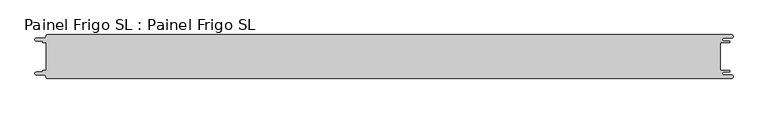
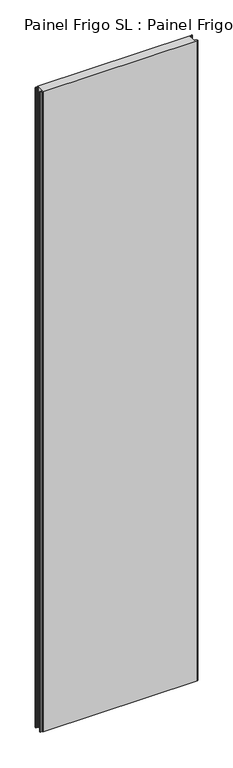
"""IFC4 building model written with IfcOpenShell, lengths in millimetres: proxy geometry, Painel Frigo SL : Painel Frigo SL."""

import ifcopenshell
import ifcopenshell.guid

model = None  # the IFC model being written
_history = None  # IfcOwnerHistory: only IFC2X3 demands one
_inside = {}  # id of a spatial element -> (the spatial element, [elements in it])
_under = {}  # id of a project, library or spatial element -> (it, [spatial elements below it])
_declared = {}  # id of a project -> (the project, [libraries it declares])
_typed = {}  # id of a type object -> (the type object, [elements of that type])
_made_of = {}  # id of a material, layer set ... -> (it, [elements and type objects made of it])


def new_model(schema):
    """Start an empty IFC model of exactly this schema.

    Asked for "IFC4X3", IfcOpenShell would pick the latest addendum, in which some entities
    have other attributes; the version numbers below select the first issue.
    IFC2X3 requires an IfcOwnerHistory on every rooted entity: one is made here for all.
    """
    global model, _history
    if schema == "IFC4X3":
        model = ifcopenshell.file(schema_version=(4, 3, 0, 0))
    else:
        model = ifcopenshell.file(schema=schema)
    _inside.clear()
    _under.clear()
    _declared.clear()
    _typed.clear()
    _made_of.clear()
    _history = None
    if model.schema == "IFC2X3":
        org = make("IfcOrganization", Name="unknown")
        user = make(
            "IfcPersonAndOrganization",
            ThePerson=make("IfcPerson", FamilyName="unknown"),
            TheOrganization=org,
        )
        app = make(
            "IfcApplication",
            ApplicationDeveloper=org,
            Version="unknown",
            ApplicationFullName="unknown",
            ApplicationIdentifier="unknown",
        )
        _history = make(
            "IfcOwnerHistory",
            OwningUser=user,
            OwningApplication=app,
            ChangeAction="ADDED",
            CreationDate=0,
        )
    return model


def make(cls, **values):
    """One entity of the class cls with the attributes given. An attribute that is None is left unset."""
    return model.create_entity(
        cls, **{name: value for name, value in values.items() if value is not None}
    )


def rooted(cls, **values):
    """An entity with a GlobalId (a new one), such as an element, a storey or a relation."""
    return make(cls, GlobalId=ifcopenshell.guid.new(), OwnerHistory=_history, **values)


def si_unit(unit_type, name, prefix=None):
    """IfcSIUnit, for example si_unit("LENGTHUNIT", "METRE", prefix="MILLI")."""
    return make("IfcSIUnit", UnitType=unit_type, Prefix=prefix, Name=name)


def assignment(units):
    """IfcUnitAssignment: the units of a project."""
    return None if units is None else make("IfcUnitAssignment", Units=units)


def point(xyz):
    """IfcCartesianPoint."""
    return None if xyz is None else make("IfcCartesianPoint", Coordinates=xyz)


def direction(xyz):
    """IfcDirection."""
    return None if xyz is None else make("IfcDirection", DirectionRatios=xyz)


def frame(location, z_axis=None, x_axis=None):
    """IfcAxis2Placement3D, a coordinate frame: its origin and axes. An axis left out is left unset."""
    return make(
        "IfcAxis2Placement3D",
        Location=point(location),
        Axis=direction(z_axis),
        RefDirection=direction(x_axis),
    )


def origin():
    """The frame at (0, 0, 0) with its axes left unset."""
    return frame((0.0, 0.0, 0.0))


def place(relative_to, where):
    """IfcLocalPlacement: puts the frame where relative to a parent placement (None: the world)."""
    return make(
        "IfcLocalPlacement", PlacementRelTo=relative_to, RelativePlacement=where
    )


def context(
    kind, dimensions, precision=None, world=None, true_north=None, identifier=None
):
    """IfcGeometricRepresentationContext, for example the 3D "Model" context."""
    return make(
        "IfcGeometricRepresentationContext",
        ContextIdentifier=identifier,
        ContextType=kind,
        CoordinateSpaceDimension=dimensions,
        Precision=precision,
        WorldCoordinateSystem=world,
        TrueNorth=true_north,
    )


def project(units=None, contexts=None):
    """IfcProject with its units and contexts."""
    return rooted(
        "IfcProject",
        Name="project",
        RepresentationContexts=contexts,
        UnitsInContext=assignment(units),
    )


def spatial(cls, under=None, at=None, **own):
    """A site, building, storey or space (cls), placed at a placement, below another one or the project."""
    s = rooted(cls, ObjectPlacement=at, **own)
    if under is not None:
        _under.setdefault(under.id(), (under, []))[1].append(s)
    return s


def polyline(points):
    """IfcPolyline through the points."""
    return make("IfcPolyline", Points=[point(p) for p in points])


def circle_curve(where, radius):
    """IfcCircle in the frame where."""
    return make("IfcCircle", Position=where, Radius=radius)


def shape(context_of_items, identifier, shape_type, items):
    """IfcShapeRepresentation: the items that make up one representation, for example the "Body"."""
    return make(
        "IfcShapeRepresentation",
        ContextOfItems=context_of_items,
        RepresentationIdentifier=identifier,
        RepresentationType=shape_type,
        Items=items,
    )


def source(mapping_origin, context_of_items, identifier, shape_type, items):
    """IfcRepresentationMap: a shape defined once, which mapped items show again and again."""
    return make(
        "IfcRepresentationMap",
        MappingOrigin=mapping_origin,
        MappedRepresentation=shape(context_of_items, identifier, shape_type, items),
    )


def transform(
    local_origin,
    x_axis=None,
    y_axis=None,
    z_axis=None,
    scale=None,
    scale2=None,
    scale3=None,
    uniform=True,
):
    """IfcCartesianTransformationOperator3D, or its non-uniform kind. x_axis, y_axis, z_axis: its Axis1, 2, 3."""
    if uniform:
        return make(
            "IfcCartesianTransformationOperator3D",
            Axis1=direction(x_axis),
            Axis2=direction(y_axis),
            LocalOrigin=point(local_origin),
            Scale=scale,
            Axis3=direction(z_axis),
        )
    return make(
        "IfcCartesianTransformationOperator3DnonUniform",
        Axis1=direction(x_axis),
        Axis2=direction(y_axis),
        LocalOrigin=point(local_origin),
        Scale=scale,
        Axis3=direction(z_axis),
        Scale2=scale2,
        Scale3=scale3,
    )


def mapped(mapping_source, mapping_target):
    """IfcMappedItem: shows the shape of a source again, moved by a transform."""
    return make(
        "IfcMappedItem", MappingSource=mapping_source, MappingTarget=mapping_target
    )


def made_of(thing, what):
    """Note that an element or type object is made of a material, layer set ...; save() writes the relation."""
    if what is not None:
        _made_of.setdefault(what.id(), (what, []))[1].append(thing)
    return thing


def element(
    cls,
    number,
    at=None,
    inside=None,
    cuts=None,
    type_object=None,
    material=None,
    context=None,
    identifier="Body",
    shape_type=None,
    held_by="IfcProductDefinitionShape",
    body=None,
    shapes=None,
    **own,
):
    """One element of the class cls, such as IfcWall. Its Tag is "e" and its number.

    at: its placement. inside: the storey or other place that contains it. cuts: it is an
    opening in that element (IfcRelVoidsElement). A single representation is given by context,
    identifier, shape_type and body (its items); several are given by shapes. held_by: the class
    of the entity that holds the representations. save() writes the other relations.
    """
    e = rooted(cls, Tag="e%d" % number, ObjectPlacement=at, **own)
    if body is not None:
        shapes = [shape(context, identifier, shape_type, body)]
    if shapes is not None:
        e.Representation = make(held_by, Representations=shapes)
    if inside is not None:
        _inside.setdefault(inside.id(), (inside, []))[1].append(e)
    if cuts is not None:
        rooted(
            "IfcRelVoidsElement", RelatingBuildingElement=cuts, RelatedOpeningElement=e
        )
    if type_object is not None:
        _typed.setdefault(type_object.id(), (type_object, []))[1].append(e)
    return made_of(e, material)


def aggregate(whole, parts):
    """IfcRelAggregates: a whole, such as a stair, and the parts it consists of."""
    return rooted("IfcRelAggregates", RelatingObject=whole, RelatedObjects=parts)


def save(model, path):
    """Write the relations noted so far, then the file.

    IfcRelAggregates (storeys below a building ...), IfcRelContainedInSpatialStructure (elements
    in a storey), IfcRelDefinesByType, IfcRelAssociatesMaterial and IfcRelDeclares: one each for
    every whole, place, type object, material and project.
    """
    for whole, parts in _under.values():
        aggregate(whole, parts)
    for where, things in _inside.values():
        rooted(
            "IfcRelContainedInSpatialStructure",
            RelatedElements=things,
            RelatingStructure=where,
        )
    for kind, things in _typed.values():
        rooted("IfcRelDefinesByType", RelatedObjects=things, RelatingType=kind)
    for what, things in _made_of.values():
        rooted("IfcRelAssociatesMaterial", RelatedObjects=things, RelatingMaterial=what)
    for by, libraries in _declared.values():
        rooted("IfcRelDeclares", RelatingContext=by, RelatedDefinitions=libraries)
    model.write(path)


def plane_surface(at):
    """IfcPlane: the flat surface through the origin of the frame at, square to its z axis."""
    return make("IfcPlane", Position=at)


def cylinder_surface(at, radius):
    """IfcCylindricalSurface: all points at the distance radius from the z axis of the frame at."""
    return make("IfcCylindricalSurface", Position=at, Radius=radius)


def revolved_surface(curve, axis_point, axis_direction):
    """IfcSurfaceOfRevolution: the curve turned about the line through axis_point along axis_direction."""
    return make(
        "IfcSurfaceOfRevolution",
        SweptCurve=make("IfcArbitraryOpenProfileDef", ProfileType="CURVE", Curve=curve),
        AxisPosition=make("IfcAxis1Placement", Location=point(axis_point), Axis=direction(axis_direction)),
    )


def advanced_brep(points, edges, surfaces, faces):
    """IfcAdvancedBrep: a solid bounded by faces that lie on surfaces and meet in shared edges.

    An edge is (start, end): straight between two places in points (the first is 0);
    or (start, end, curve); or (start, end, curve, False) where it runs against its curve.
    A face is (place in surfaces, loops), or (place, loops, False) where it looks against
    its surface's normal. A loop lists edges by number (the first is 1), with a minus sign
    where the edge is run from its end to its start. The first loop is the outer one.
    """
    corners = [point(p) for p in points]
    vertices = [make("IfcVertexPoint", VertexGeometry=c) for c in corners]
    made = []
    for start, end, *more in edges:
        made.append(
            make(
                "IfcEdgeCurve",
                EdgeStart=vertices[start],
                EdgeEnd=vertices[end],
                EdgeGeometry=more[0] if more else make("IfcPolyline", Points=[corners[start], corners[end]]),
                SameSense=more[1] if len(more) > 1 else True,
            )
        )
    hull = []
    for where, loops, *sense in faces:
        bounds = []
        for j, loop in enumerate(loops):
            ring = [make("IfcOrientedEdge", EdgeElement=made[abs(k) - 1], Orientation=k > 0) for k in loop]
            bounds.append(
                make(
                    "IfcFaceOuterBound" if j == 0 else "IfcFaceBound",
                    Bound=make("IfcEdgeLoop", EdgeList=ring),
                    Orientation=True,
                )
            )
        hull.append(make("IfcAdvancedFace", Bounds=bounds, FaceSurface=surfaces[where], SameSense=sense[0] if sense else True))
    return make("IfcAdvancedBrep", Outer=make("IfcClosedShell", CfsFaces=hull))


def painel_frigo_sl_painel_frigo_sl_f73a0884(model_context):
    return source(origin(), model_context, "Body", "AdvancedBrep", [
        advanced_brep(
        [(-554.5874998, -22.3, 4800.0), (-555.1874998, -22.9, 4800.0), (-555.1874998, -23.7085184, 4800.0), (-556.5875001, -25.1085187, 4800.0), (-565.565625, -25.1085187, 4800.0), (-565.565625, -29.5085185, 4800.0), (-553.55, -29.5085185, 4800.0), (-550.0, -33.0585185, 4800.0), (-548.05, -35.0, 4800.0), (546.89375, -35.0, 4800.0), (546.89375, -29.725, 4800.0), (534.45625, -29.725, 4800.0), (534.45625, -24.875, 4800.0), (543.1187503, -24.875, 4800.0), (543.1187503, -22.3, 4800.0), (529.2687503, -22.3, 4800.0), (529.2687503, 22.3, 4800.0), (543.1187503, 22.3, 4800.0), (543.1187503, 24.875, 4800.0), (534.45625, 24.875, 4800.0), (534.45625, 29.725, 4800.0), (546.89375, 29.725, 4800.0), (546.89375, 35.0, 4800.0), (-548.05, 35.0, 4800.0), (-550.0, 33.05, 4800.0), (-553.55, 29.5085185, 4800.0), (-565.565625, 29.5085185, 4800.0), (-565.565625, 25.1085185, 4800.0), (-556.5875003, 25.1085185, 4800.0), (-555.1875003, 23.7085185, 4800.0), (-555.1875003, 22.9, 4800.0), (-554.5874998, 22.2999995, 4800.0), (-549.2999612, 22.2999995, 4800.0), (-549.2999612, -22.3, 4800.0), (-554.5874998, -22.3, 0.0), (-549.2999612, -22.3, 0.0), (-549.2999612, 22.2999995, 0.0), (-554.5874998, 22.2999995, 0.0), (-555.1875003, 22.9, 0.0), (-555.1875003, 23.7085185, 0.0), (-556.5875003, 25.1085185, 0.0), (-565.565625, 25.1085185, 0.0), (-565.565625, 29.5085185, 0.0), (-553.55, 29.5085185, 0.0), (-550.0, 33.0585185, 0.0), (-548.05, 35.0, 0.0), (546.89375, 35.0, 0.0), (546.89375, 29.725, 0.0), (534.45625, 29.725, 0.0), (534.45625, 24.875, 0.0), (543.1187503, 24.875, 0.0), (543.1187503, 22.3, 0.0), (529.2687503, 22.3, 0.0), (529.2687503, -22.3, 0.0), (543.1187503, -22.3, 0.0), (543.1187503, -24.875, 0.0), (534.45625, -24.875, 0.0), (534.45625, -29.725, 0.0), (546.89375, -29.725, 0.0), (546.89375, -35.0, 0.0), (-548.05, -35.0, 0.0), (-550.0, -33.05, 0.0), (-553.55, -29.5085185, 0.0), (-565.565625, -29.5085185, 0.0), (-565.565625, -25.1085187, 0.0), (-556.5875001, -25.1085187, 0.0), (-555.1874998, -23.7085184, 0.0), (-555.1874998, -22.9, 0.0)],
        [
            (0, 1, circle_curve(frame((-554.5874998, -22.9, 4800.0), z_axis=(0.0, 0.0, 1.0), x_axis=(1.0, 0.0, 0.0)), 0.6)),
            (1, 2),
            (2, 3, circle_curve(frame((-556.5875001, -23.7085184, 4800.0), z_axis=(0.0, 0.0, -1.0), x_axis=(1.0, 0.0, 0.0)), 1.4000003)),
            (3, 4),
            (4, 5, circle_curve(frame((-565.565625, -27.3085186, 4800.0), z_axis=(0.0, 0.0, 1.0), x_axis=(1.0, 0.0, 0.0)), 2.1999999)),
            (5, 6),
            (6, 7, circle_curve(frame((-553.55, -33.0585185, 4800.0), z_axis=(0.0, 0.0, -1.0), x_axis=(1.0, 0.0, 0.0)), 3.55)),
            (7, 8, circle_curve(frame((-548.05, -33.05, 4800.0), z_axis=(0.0, 0.0, 1.0), x_axis=(1.0, 0.0, 0.0)), 1.95)),
            (8, 9),
            (9, 10, circle_curve(frame((546.89375, -32.3625, 4800.0), z_axis=(0.0, 0.0, 1.0), x_axis=(1.0, 0.0, 0.0)), 2.6375)),
            (10, 11),
            (11, 12, circle_curve(frame((534.45625, -27.3, 4800.0), z_axis=(0.0, 0.0, -1.0), x_axis=(1.0, 0.0, 0.0)), 2.425)),
            (12, 13),
            (13, 14, circle_curve(frame((543.1187503, -23.5875, 4800.0), z_axis=(0.0, 0.0, 1.0), x_axis=(1.0, 0.0, 0.0)), 1.2875)),
            (14, 15),
            (15, 16),
            (16, 17),
            (17, 18, circle_curve(frame((543.1187503, 23.5875, 4800.0), z_axis=(0.0, 0.0, 1.0), x_axis=(1.0, 0.0, 0.0)), 1.2875)),
            (18, 19),
            (19, 20, circle_curve(frame((534.45625, 27.3, 4800.0), z_axis=(0.0, 0.0, -1.0), x_axis=(1.0, 0.0, 0.0)), 2.425)),
            (20, 21),
            (21, 22, circle_curve(frame((546.89375, 32.3625, 4800.0), z_axis=(0.0, 0.0, 1.0), x_axis=(1.0, 0.0, 0.0)), 2.6375)),
            (22, 23),
            (23, 24, circle_curve(frame((-548.05, 33.05, 4800.0), z_axis=(0.0, 0.0, 1.0), x_axis=(1.0, 0.0, 0.0)), 1.95)),
            (24, 25, circle_curve(frame((-553.55, 33.0585185, 4800.0), z_axis=(0.0, 0.0, -1.0), x_axis=(1.0, 0.0, 0.0)), 3.55)),
            (25, 26),
            (26, 27, circle_curve(frame((-565.565625, 27.3085185, 4800.0), z_axis=(0.0, 0.0, 1.0), x_axis=(1.0, 0.0, 0.0)), 2.2)),
            (27, 28),
            (28, 29, circle_curve(frame((-556.5875003, 23.7085185, 4800.0), z_axis=(0.0, 0.0, -1.0), x_axis=(1.0, 0.0, 0.0)), 1.4)),
            (29, 30),
            (30, 31, circle_curve(frame((-554.5874998, 22.9, 4800.0), z_axis=(0.0, 0.0, 1.0), x_axis=(1.0, 0.0, 0.0)), 0.6000005)),
            (31, 32),
            (32, 33),
            (33, 0),
            (34, 35),
            (35, 36),
            (36, 37),
            (37, 38, circle_curve(frame((-554.5874998, 22.9, 0.0), z_axis=(0.0, 0.0, -1.0), x_axis=(1.0, 0.0, 0.0)), 0.6000005)),
            (38, 39),
            (39, 40, circle_curve(frame((-556.5875003, 23.7085185, 0.0), z_axis=(0.0, 0.0, 1.0), x_axis=(1.0, 0.0, 0.0)), 1.4)),
            (40, 41),
            (41, 42, circle_curve(frame((-565.565625, 27.3085185, 0.0), z_axis=(0.0, 0.0, -1.0), x_axis=(1.0, 0.0, 0.0)), 2.2)),
            (42, 43),
            (43, 44, circle_curve(frame((-553.55, 33.0585185, 0.0), z_axis=(0.0, 0.0, 1.0), x_axis=(1.0, 0.0, 0.0)), 3.55)),
            (44, 45, circle_curve(frame((-548.05, 33.05, 0.0), z_axis=(0.0, 0.0, -1.0), x_axis=(1.0, 0.0, 0.0)), 1.95)),
            (45, 46),
            (46, 47, circle_curve(frame((546.89375, 32.3625, 0.0), z_axis=(0.0, 0.0, -1.0), x_axis=(1.0, 0.0, 0.0)), 2.6375)),
            (47, 48),
            (48, 49, circle_curve(frame((534.45625, 27.3, 0.0), z_axis=(0.0, 0.0, 1.0), x_axis=(1.0, 0.0, 0.0)), 2.425)),
            (49, 50),
            (50, 51, circle_curve(frame((543.1187503, 23.5875, 0.0), z_axis=(0.0, 0.0, -1.0), x_axis=(1.0, 0.0, 0.0)), 1.2875)),
            (51, 52),
            (52, 53),
            (53, 54),
            (54, 55, circle_curve(frame((543.1187503, -23.5875, 0.0), z_axis=(0.0, 0.0, -1.0), x_axis=(1.0, 0.0, 0.0)), 1.2875)),
            (55, 56),
            (56, 57, circle_curve(frame((534.45625, -27.3, 0.0), z_axis=(0.0, 0.0, 1.0), x_axis=(1.0, 0.0, 0.0)), 2.425)),
            (57, 58),
            (58, 59, circle_curve(frame((546.89375, -32.3625, 0.0), z_axis=(0.0, 0.0, -1.0), x_axis=(1.0, 0.0, 0.0)), 2.6375)),
            (59, 60),
            (60, 61, circle_curve(frame((-548.05, -33.05, 0.0), z_axis=(0.0, 0.0, -1.0), x_axis=(1.0, 0.0, 0.0)), 1.95)),
            (61, 62, circle_curve(frame((-553.55, -33.0585185, 0.0), z_axis=(0.0, 0.0, 1.0), x_axis=(1.0, 0.0, 0.0)), 3.55)),
            (62, 63),
            (63, 64, circle_curve(frame((-565.565625, -27.3085186, 0.0), z_axis=(0.0, 0.0, -1.0), x_axis=(1.0, 0.0, 0.0)), 2.1999999)),
            (64, 65),
            (65, 66, circle_curve(frame((-556.5875001, -23.7085184, 0.0), z_axis=(0.0, 0.0, 1.0), x_axis=(1.0, 0.0, 0.0)), 1.4000003)),
            (66, 67),
            (67, 34, circle_curve(frame((-554.5874998, -22.9, 0.0), z_axis=(0.0, 0.0, -1.0), x_axis=(1.0, 0.0, 0.0)), 0.6)),
            (33, 35),
            (34, 0),
            (32, 36),
            (31, 37),
            (30, 38),
            (29, 39),
            (28, 40),
            (27, 41),
            (26, 42),
            (25, 43),
            (24, 44),
            (23, 45),
            (22, 46),
            (15, 53),
            (52, 16),
            (14, 54),
            (13, 55),
            (12, 56),
            (11, 57),
            (10, 58),
            (9, 59),
            (8, 60),
            (7, 61),
            (6, 62),
            (5, 63),
            (4, 64),
            (3, 65),
            (2, 66),
            (1, 67),
            (21, 47),
            (20, 48),
            (19, 49),
            (18, 50),
            (17, 51),
        ],
        [
            plane_surface(frame((-549.2999612, -22.3, 4800.0), z_axis=(0.0, 0.0, 1.0), x_axis=(1.0, 0.0, 0.0))),
            plane_surface(frame((-549.2999612, -22.3, 0.0), z_axis=(0.0, 0.0, -1.0), x_axis=(-1.0, 0.0, 0.0))),
            plane_surface(frame((-554.5874998, -22.3, 4800.0), z_axis=(0.0, 1.0, 0.0), x_axis=(0.0, 0.0, -1.0))),
            plane_surface(frame((-549.2999612, -22.3, 4800.0), z_axis=(-1.0, 0.0, 0.0), x_axis=(0.0, 0.0, -1.0))),
            plane_surface(frame((-549.2999612, 22.2999995, 4800.0), z_axis=(0.0, -1.0, 0.0), x_axis=(0.0, 0.0, -1.0))),
            cylinder_surface(frame((-554.5874998, 22.9, 0.0), z_axis=(0.0, 0.0, 1.0), x_axis=(1.0, 0.0, 0.0)), 0.6000005),
            plane_surface(frame((-555.1875003, 22.9, 4800.0), z_axis=(-1.0, -1.7578608662329244e-12, 0.0), x_axis=(0.0, 0.0, -1.0))),
            revolved_surface(polyline([(-555.1875003, 23.7085185, 0.0), (-555.1875003, 23.7085185, 4800.0)]), (-556.5875003, 23.7085185, 0.0), (0.0, 0.0, -1.0)),
            plane_surface(frame((-556.5875003, 25.1085185, 4800.0), z_axis=(0.0, -1.0, 0.0), x_axis=(0.0, 0.0, -1.0))),
            cylinder_surface(frame((-565.565625, 27.3085185, 0.0), z_axis=(0.0, 0.0, 1.0), x_axis=(1.0, 0.0, 0.0)), 2.2),
            plane_surface(frame((-565.565625, 29.5085185, 4800.0), z_axis=(0.0, 1.0, 0.0), x_axis=(0.0, 0.0, -1.0))),
            revolved_surface(polyline([(-550.0, 33.0585185, 0.0), (-550.0, 33.0585185, 4800.0)]), (-553.55, 33.0585185, 0.0), (0.0, 0.0, -1.0)),
            cylinder_surface(frame((-548.05, 33.05, 0.0), z_axis=(0.0, 0.0, 1.0), x_axis=(1.0, 0.0, 0.0)), 1.95),
            plane_surface(frame((-548.05, 35.0, 4800.0), z_axis=(0.0, 1.0, 0.0), x_axis=(0.0, 0.0, -1.0))),
            plane_surface(frame((529.2687503, 22.3, 4800.0), z_axis=(1.0, 0.0, 0.0), x_axis=(0.0, 0.0, -1.0))),
            plane_surface(frame((529.2687503, -22.3, 4800.0), z_axis=(0.0, 1.0, 0.0), x_axis=(0.0, 0.0, -1.0))),
            cylinder_surface(frame((543.1187503, -23.5875, 0.0), z_axis=(0.0, 0.0, 1.0), x_axis=(1.0, 0.0, 0.0)), 1.2875),
            plane_surface(frame((543.1187503, -24.875, 4800.0), z_axis=(0.0, -1.0, 0.0), x_axis=(0.0, 0.0, -1.0))),
            revolved_surface(polyline([(536.8812499999999, -27.3, 0.0), (536.8812499999999, -27.3, 4800.0)]), (534.45625, -27.3, 0.0), (0.0, 0.0, -1.0)),
            plane_surface(frame((534.45625, -29.725, 4800.0), z_axis=(0.0, 1.0, 0.0), x_axis=(0.0, 0.0, -1.0))),
            cylinder_surface(frame((546.89375, -32.3625, 0.0), z_axis=(0.0, 0.0, 1.0), x_axis=(1.0, 0.0, 0.0)), 2.6375),
            plane_surface(frame((546.89375, -35.0, 4800.0), z_axis=(0.0, -1.0, 0.0), x_axis=(0.0, 0.0, -1.0))),
            cylinder_surface(frame((-548.05, -33.05, 0.0), z_axis=(0.0, 0.0, 1.0), x_axis=(1.0, 0.0, 0.0)), 1.95),
            revolved_surface(polyline([(-550.0, -33.0585185, 0.0), (-550.0, -33.0585185, 4800.0)]), (-553.55, -33.0585185, 0.0), (0.0, 0.0, -1.0)),
            plane_surface(frame((-553.55, -29.5085185, 4800.0), z_axis=(0.0, -1.0, 0.0), x_axis=(0.0, 0.0, -1.0))),
            cylinder_surface(frame((-565.565625, -27.3085186, 0.0), z_axis=(0.0, 0.0, 1.0), x_axis=(1.0, 0.0, 0.0)), 2.1999999),
            plane_surface(frame((-565.565625, -25.1085187, 4800.0), z_axis=(0.0, 1.0, 0.0), x_axis=(0.0, 0.0, -1.0))),
            revolved_surface(polyline([(-555.1874998000001, -23.7085184, 0.0), (-555.1874998000001, -23.7085184, 4800.0)]), (-556.5875001, -23.7085184, 0.0), (0.0, 0.0, -1.0)),
            plane_surface(frame((-555.1874998, -23.7085184, 4800.0), z_axis=(-1.0, 0.0, 0.0), x_axis=(0.0, 0.0, -1.0))),
            cylinder_surface(frame((-554.5874998, -22.9, 0.0), z_axis=(0.0, 0.0, 1.0), x_axis=(1.0, 0.0, 0.0)), 0.6),
            cylinder_surface(frame((546.89375, 32.3625, 0.0), z_axis=(0.0, 0.0, 1.0), x_axis=(1.0, 0.0, 0.0)), 2.6375),
            plane_surface(frame((546.89375, 29.725, 4800.0), z_axis=(0.0, -1.0, 0.0), x_axis=(0.0, 0.0, -1.0))),
            revolved_surface(polyline([(536.8812499999999, 27.3, 0.0), (536.8812499999999, 27.3, 4800.0)]), (534.45625, 27.3, 0.0), (0.0, 0.0, -1.0)),
            plane_surface(frame((534.45625, 24.875, 4800.0), z_axis=(0.0, 1.0, 0.0), x_axis=(0.0, 0.0, -1.0))),
            cylinder_surface(frame((543.1187503, 23.5875, 0.0), z_axis=(0.0, 0.0, 1.0), x_axis=(1.0, 0.0, 0.0)), 1.2875),
            plane_surface(frame((543.1187503, 22.3, 4800.0), z_axis=(0.0, -1.0, 0.0), x_axis=(0.0, 0.0, -1.0))),
        ],
        [
            (0, [[1, 2, 3, 4, 5, 6, 7, 8, 9, 10, 11, 12, 13, 14, 15, 16, 17, 18, 19, 20, 21, 22, 23, 24, 25, 26, 27, 28, 29, 30, 31, 32, 33, 34]]),
            (1, [[35, 36, 37, 38, 39, 40, 41, 42, 43, 44, 45, 46, 47, 48, 49, 50, 51, 52, 53, 54, 55, 56, 57, 58, 59, 60, 61, 62, 63, 64, 65, 66, 67, 68]]),
            (2, [[69, -35, 70, -34]]),
            (3, [[71, -36, -69, -33]]),
            (4, [[72, -37, -71, -32]]),
            (5, [[73, -38, -72, -31]]),
            (6, [[74, -39, -73, -30]]),
            (7, [[75, -40, -74, -29]]),
            (8, [[76, -41, -75, -28]]),
            (9, [[77, -42, -76, -27]]),
            (10, [[78, -43, -77, -26]]),
            (11, [[79, -44, -78, -25]]),
            (12, [[80, -45, -79, -24]]),
            (13, [[81, -46, -80, -23]]),
            (14, [[82, -53, 83, -16]]),
            (15, [[84, -54, -82, -15]]),
            (16, [[85, -55, -84, -14]]),
            (17, [[86, -56, -85, -13]]),
            (18, [[87, -57, -86, -12]]),
            (19, [[88, -58, -87, -11]]),
            (20, [[89, -59, -88, -10]]),
            (21, [[90, -60, -89, -9]]),
            (22, [[91, -61, -90, -8]]),
            (23, [[92, -62, -91, -7]]),
            (24, [[93, -63, -92, -6]]),
            (25, [[94, -64, -93, -5]]),
            (26, [[95, -65, -94, -4]]),
            (27, [[96, -66, -95, -3]]),
            (28, [[97, -67, -96, -2]]),
            (29, [[-70, -68, -97, -1]]),
            (30, [[98, -47, -81, -22]]),
            (31, [[99, -48, -98, -21]]),
            (32, [[100, -49, -99, -20]]),
            (33, [[101, -50, -100, -19]]),
            (34, [[102, -51, -101, -18]]),
            (35, [[-83, -52, -102, -17]]),
        ],
    ),
    ])


if __name__ == "__main__":
    model = new_model("IFC4")
    model_context = context("Model", 3, world=origin())
    ifc_project = project(units=[si_unit("LENGTHUNIT", "METRE", prefix="MILLI")], contexts=[model_context])
    site = spatial("IfcSite", under=ifc_project)
    building = spatial("IfcBuilding", under=site)
    placement = place(None, origin())
    painel_frigo_sl_painel_frigo_sl_shape = painel_frigo_sl_painel_frigo_sl_f73a0884(model_context)
    element("IfcBuildingElementProxy", 1, Name="Painel Frigo SL : Painel Frigo SL", ObjectType="Painel Frigo SL : Painel Frigo SL", at=placement, inside=building, context=model_context, shape_type="MappedRepresentation", body=[
        mapped(painel_frigo_sl_painel_frigo_sl_shape, transform((0.0, 0.0, 0.0), x_axis=(1.0, 0.0, 0.0), y_axis=(0.0, 1.0, 0.0), z_axis=(0.0, 0.0, 1.0))),
    ])
    save(model, "model.ifc")
